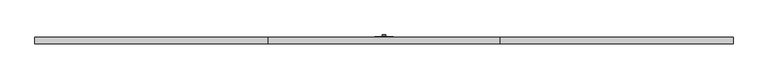
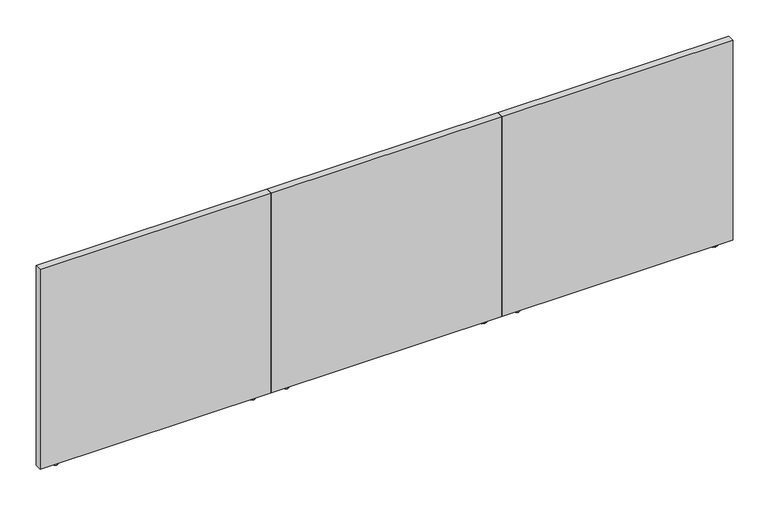
"""IFC4 building model written with IfcOpenShell, lengths in millimetres: furniture geometry."""

from ifc_helpers import new_model, si_unit, frame, origin, origin_with_axes, place, context, project, spatial, polyline, outline, extrude, source, transform, mapped, element, save


def furniture_a1228069(model_context):
    return source(origin(), model_context, "Body", "SweptSolid", [
        extrude(outline(polyline([(3060.7, -12.0014999), (3064.8244439, -14.3827499), (3064.8244439, -19.1452499), (3060.7, -21.5264999), (3056.5755515, -19.1452499), (3056.5755515, -14.3827499), (3060.7, -12.0014999)])), frame((0.0, 0.0, 5.4101761), z_axis=(0.0, 0.0, 1.0), x_axis=(1.0, 0.0, 0.0)), (0.0, 0.0, 1.0), 0.7873997),
        extrude(outline(polyline([(3073.4000015, -24.7014992), (3060.7, -31.0514999), (3048.000003, -24.7014992), (3048.000003, -8.8265001), (3060.7, -2.4764999), (3073.4000015, -8.8265001), (3073.4000015, -24.7014992)])), frame((0.0, 0.0, -0.838224), z_axis=(0.0, 0.0, 1.0), x_axis=(1.0, 0.0, 0.0)), (0.0, 0.0, 1.0), 6.2484002),
        extrude(outline(polyline([(2167.4666667, -12.0014999), (2171.5911151, -14.3827499), (2171.5911151, -19.1452499), (2167.4666667, -21.5264999), (2163.3422227, -19.1452499), (2163.3422227, -14.3827499), (2167.4666667, -12.0014999)])), frame((0.0, 0.0, 5.4101761), z_axis=(0.0, 0.0, 1.0), x_axis=(1.0, 0.0, 0.0)), (0.0, 0.0, 1.0), 0.7873997),
        extrude(outline(polyline([(2156.7351678, -24.7014992), (2156.7351678, -8.8265001), (2167.4666667, -2.4764999), (2180.1666636, -8.8265001), (2180.1666636, -24.7014992), (2167.4666667, -31.0514999), (2156.7351678, -24.7014992)])), frame((0.0, 0.0, -0.838224), z_axis=(0.0, 0.0, 1.0), x_axis=(1.0, 0.0, 0.0)), (0.0, 0.0, 1.0), 6.2484002),
        extrude(outline(polyline([(3136.9, -1.778), (3136.9, -31.8008002), (2091.2666667, -31.8008002), (2091.2666667, -1.778), (3136.9, -1.778)])), frame((0.0, 0.0, 6.1975758), z_axis=(0.0, 0.0, 1.0), x_axis=(1.0, 0.0, 0.0)), (0.0, 0.0, 1.0), 958.1642001),
        extrude(outline(polyline([(2015.0666667, -12.0014999), (2019.1911106, -14.3827499), (2019.1911106, -19.1452499), (2015.0666667, -21.5264999), (2010.9422182, -19.1452499), (2010.9422182, -14.3827499), (2015.0666667, -12.0014999)])), frame((0.0, 0.0, 5.4101761), z_axis=(0.0, 0.0, 1.0), x_axis=(1.0, 0.0, 0.0)), (0.0, 0.0, 1.0), 0.7873997),
        extrude(outline(polyline([(2027.7666682, -24.7014992), (2015.0666667, -31.0514999), (2002.3666697, -24.7014992), (2002.3666697, -8.8265001), (2015.0666667, -2.4764999), (2027.7666682, -8.8265001), (2027.7666682, -24.7014992)])), frame((0.0, 0.0, -0.838224), z_axis=(0.0, 0.0, 1.0), x_axis=(1.0, 0.0, 0.0)), (0.0, 0.0, 1.0), 6.2484002),
        extrude(outline(polyline([(1121.8333333, -12.0014999), (1125.9577818, -14.3827499), (1125.9577818, -19.1452499), (1121.8333333, -21.5264999), (1117.7088894, -19.1452499), (1117.7088894, -14.3827499), (1121.8333333, -12.0014999)])), frame((0.0, 0.0, 5.4101761), z_axis=(0.0, 0.0, 1.0), x_axis=(1.0, 0.0, 0.0)), (0.0, 0.0, 1.0), 0.7873997),
        extrude(outline(polyline([(1111.1018345, -24.7014992), (1111.1018345, -8.8265001), (1121.8333333, -2.4764999), (1134.5333303, -8.8265001), (1134.5333303, -24.7014992), (1121.8333333, -31.0514999), (1111.1018345, -24.7014992)])), frame((0.0, 0.0, -0.838224), z_axis=(0.0, 0.0, 1.0), x_axis=(1.0, 0.0, 0.0)), (0.0, 0.0, 1.0), 6.2484002),
        extrude(outline(polyline([(2091.2666667, -1.778), (2091.2666667, -31.8008002), (1045.6333333, -31.8008002), (1045.6333333, -1.778), (2091.2666667, -1.778)])), frame((0.0, 0.0, 6.1975758), z_axis=(0.0, 0.0, 1.0), x_axis=(1.0, 0.0, 0.0)), (0.0, 0.0, 1.0), 958.1642001),
        extrude(outline(polyline([(969.4333333, -12.0014999), (973.5577773, -14.3827499), (973.5577773, -19.1452499), (969.4333333, -21.5264999), (965.3088849, -19.1452499), (965.3088849, -14.3827499), (969.4333333, -12.0014999)])), frame((0.0, 0.0, 6.2484002), z_axis=(0.0, 0.0, 1.0), x_axis=(1.0, 0.0, 0.0)), (0.0, 0.0, 1.0), 0.7873997),
        extrude(outline(polyline([(982.1333348, -24.7014992), (969.4333333, -31.0514999), (956.7333364, -24.7014992), (956.7333364, -8.8265001), (969.4333333, -2.4764999), (982.1333348, -8.8265001), (982.1333348, -24.7014992)])), origin_with_axes(), (0.0, 0.0, 1.0), 6.2484002),
        extrude(outline(polyline([(76.2, -12.0014999), (80.3244485, -14.3827499), (80.3244485, -19.1452499), (76.2, -21.5264999), (72.0755561, -19.1452499), (72.0755561, -14.3827499), (76.2, -12.0014999)])), frame((0.0, 0.0, 6.2484002), z_axis=(0.0, 0.0, 1.0), x_axis=(1.0, 0.0, 0.0)), (0.0, 0.0, 1.0), 0.7873997),
        extrude(outline(polyline([(65.4685012, -24.7014992), (65.4685012, -8.8265001), (76.2, -2.4764999), (88.899997, -8.8265001), (88.899997, -24.7014992), (76.2, -31.0514999), (65.4685012, -24.7014992)])), origin_with_axes(), (0.0, 0.0, 1.0), 6.2484002),
        extrude(outline(polyline([(1045.6333333, -1.778), (1045.6333333, -31.8008002), (0.0, -31.8008002), (0.0, -1.778), (1045.6333333, -1.778)])), frame((0.0, 0.0, 7.0357999), z_axis=(0.0, 0.0, 1.0), x_axis=(1.0, 0.0, 0.0)), (0.0, 0.0, 1.0), 958.1642001),
        extrude(outline(polyline([(1576.9081986, 8.5597998), (1576.9081986, 1.5748001), (1559.9918006, 1.5748001), (1559.9918006, 8.5597998), (1576.9081986, 8.5597998)])), frame((0.0, 0.0, 83.5406039), z_axis=(0.0, 0.0, 1.0), x_axis=(1.0, 0.0, 0.0)), (0.0, 0.0, 1.0), 33.6803933),
        extrude(outline(polyline([(1576.9081986, 8.5597998), (1576.9081986, 1.5748001), (1559.9918006, 1.5748001), (1559.9918006, 8.5597998), (1576.9081986, 8.5597998)])), frame((0.0, 0.0, 693.140613), z_axis=(0.0, 0.0, 1.0), x_axis=(1.0, 0.0, 0.0)), (0.0, 0.0, 1.0), 33.6803933),
        extrude(outline(polyline([(1576.9081986, 8.5597998), (1576.9081986, 1.5748001), (1559.9918006, 1.5748001), (1559.9918006, 8.5597998), (1576.9081986, 8.5597998)])), frame((0.0, 0.0, 896.3405645), z_axis=(0.0, 0.0, 1.0), x_axis=(1.0, 0.0, 0.0)), (0.0, 0.0, 1.0), 33.6804296),
        extrude(outline(polyline([(1579.3720017, 1.5748001), (1579.3720017, 0.0508002), (1557.5279998, 0.0508002), (1557.5279998, 1.5748001), (1579.3720017, 1.5748001)])), frame((0.0, 0.0, 681.4057915), z_axis=(0.0, 0.0, 1.0), x_axis=(1.0, 0.0, 0.0)), (0.0, 0.0, 1.0), 57.15),
        extrude(outline(polyline([(1579.3720017, 1.5748001), (1579.3720017, 0.0508002), (1557.5279998, 0.0508002), (1557.5279998, 1.5748001), (1579.3720017, 1.5748001)])), frame((0.0, 0.0, 884.6058157), z_axis=(0.0, 0.0, 1.0), x_axis=(1.0, 0.0, 0.0)), (0.0, 0.0, 1.0), 57.15),
        extrude(outline(polyline([(1609.725, 0.0508002), (1609.725, -1.778), (1527.1750001, -1.778), (1527.1750001, 0.0508002), (1609.725, 0.0508002)])), frame((0.0, 0.0, 681.4057915), z_axis=(0.0, 0.0, 1.0), x_axis=(1.0, 0.0, 0.0)), (0.0, 0.0, 1.0), 260.3500242),
        extrude(outline(polyline([(1576.9081986, 8.5597998), (1576.9081986, 1.5748001), (1559.9918006, 1.5748001), (1559.9918006, 8.5597998), (1576.9081986, 8.5597998)])), frame((0.0, 0.0, 286.7406009), z_axis=(0.0, 0.0, 1.0), x_axis=(1.0, 0.0, 0.0)), (0.0, 0.0, 1.0), 33.6803933),
        extrude(outline(polyline([(0.0, -1.5239999), (0.0, 0.0), (21.8440019, 0.0), (21.8440019, -1.5239999), (0.0, -1.5239999)])), frame((1579.3720017, 0.0508002, 275.0057975), z_axis=(0.0, 8.56204035697262e-11, 1.0), x_axis=(-1.0, 0.0, 0.0)), (0.0, 0.0, 1.0), 57.1500182),
        extrude(outline(polyline([(1609.725, 0.0508002), (1609.725, -1.778), (1527.1750001, -1.778), (1527.1750001, 0.0508002), (1609.725, 0.0508002)])), frame((0.0, 0.0, 71.8058006), z_axis=(0.0, 0.0, 1.0), x_axis=(1.0, 0.0, 0.0)), (0.0, 0.0, 1.0), 260.3500151),
        extrude(outline(polyline([(1579.3720017, 1.5748001), (1579.3720017, 0.0508002), (1557.5279998, 0.0508002), (1557.5279998, 1.5748001), (1579.3720017, 1.5748001)])), frame((0.0, 0.0, 71.8058006), z_axis=(0.0, 0.0, 1.0), x_axis=(1.0, 0.0, 0.0)), (0.0, 0.0, 1.0), 57.15),
    ])


if __name__ == "__main__":
    model = new_model("IFC4")
    model_context = context("Model", 3, world=origin())
    ifc_project = project(units=[si_unit("LENGTHUNIT", "METRE", prefix="MILLI")], contexts=[model_context])
    site = spatial("IfcSite", under=ifc_project)
    building = spatial("IfcBuilding", under=site)
    placement = place(None, origin())
    furniture_shape = furniture_a1228069(model_context)
    element("IfcFurniture", 1, at=placement, inside=building, context=model_context, shape_type="MappedRepresentation", body=[
        mapped(furniture_shape, transform((0.0, 0.0, 0.0), x_axis=(1.0, 0.0, 0.0), y_axis=(0.0, 1.0, 0.0), z_axis=(0.0, 0.0, 1.0))),
    ])
    save(model, "model.ifc")
